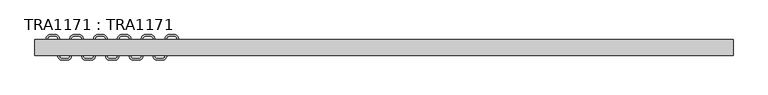
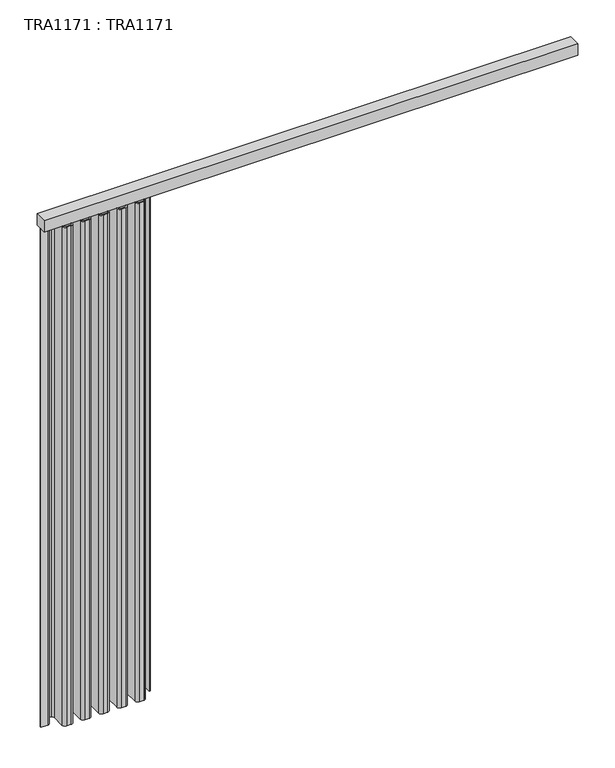
"""IFC4 building model written with IfcOpenShell, lengths in millimetres: proxy geometry, TRA1171 : TRA1171."""

from ifc_helpers import new_model, si_unit, point, frame, frame_2d, origin, place, context, project, spatial, polyline, circle_curve, trimmed, segment, composite_curve, outline, extrude, source, transform, mapped, element, save


def tra1171_tra1171_62248d08(model_context):
    return source(origin(), model_context, "Body", "SweptSolid", [
        extrude(outline(polyline([(2200.0, -22.5316766), (0.0, -22.5316766), (0.0, 27.4683234), (2200.0, 27.4683234), (2200.0, -22.5316766)])), frame((0.0, 0.0, -50.0), z_axis=(0.0, 0.0, 1.0), x_axis=(1.0, 0.0, 0.0)), (0.0, 0.0, 1.0), 50.0),
        extrude(outline(composite_curve([segment(polyline([(-0.0282048, 4.9869476), (27.4717952, 4.9869476)]), True, "CONTINUOUS"), segment(trimmed(circle_curve(frame_2d((27.4717952, 12.5151524)), 7.5282048), [point((27.4717952, 4.9869476))], [point((35.0, 12.5151524))], True, "CARTESIAN"), True, "CONTINUOUS"), segment(polyline([(35.0, 12.5151524), (35.0, 30.0215873)]), True, "CONTINUOUS"), segment(trimmed(circle_curve(frame_2d((47.4717952, 30.0215873)), 12.4717952), [point((35.0, 30.0215873))], [point((47.4717952, 42.4933825))], False, "CARTESIAN"), True, "CONTINUOUS"), segment(polyline([(47.4717952, 42.4933825), (64.9717952, 42.4933825)]), True, "CONTINUOUS"), segment(trimmed(circle_curve(frame_2d((64.9717952, 30.0053071)), 12.4880754), [point((64.9717952, 42.4933825))], [point((77.4598707, 30.0053071))], False, "CARTESIAN"), True, "CONTINUOUS"), segment(polyline([(77.4598707, 30.0053071), (77.4598707, -24.9813757)]), True, "CONTINUOUS"), segment(trimmed(circle_curve(frame_2d((84.995901, -24.9813757)), 7.5360303), [point((77.4598707, -24.9813757))], [point((84.995901, -32.5174061))], True, "CARTESIAN"), True, "CONTINUOUS"), segment(polyline([(84.995901, -32.5174061), (102.4717952, -32.5174061)]), True, "CONTINUOUS"), segment(trimmed(circle_curve(frame_2d((102.4717952, -24.9920039)), 7.5254022), [point((102.4717952, -32.5174061))], [point((109.9971975, -24.9920039))], True, "CARTESIAN"), True, "CONTINUOUS"), segment(polyline([(109.9971975, -24.9920039), (109.9971975, 30.0187848)]), True, "CONTINUOUS"), segment(trimmed(circle_curve(frame_2d((122.4717952, 30.0187848)), 12.4745978), [point((109.9971975, 30.0187848))], [point((122.4717952, 42.4933825))], False, "CARTESIAN"), True, "CONTINUOUS"), segment(polyline([(122.4717952, 42.4933825), (139.9717952, 42.4933825)]), True, "CONTINUOUS"), segment(trimmed(circle_curve(frame_2d((139.9717952, 30.012852)), 12.4805305), [point((139.9717952, 42.4933825))], [point((152.4523257, 30.012852))], False, "CARTESIAN"), True, "CONTINUOUS"), segment(polyline([(152.4523257, 30.012852), (152.4523257, -24.9979366)]), True, "CONTINUOUS"), segment(trimmed(circle_curve(frame_2d((159.9717952, -24.9979366)), 7.5194695), [point((152.4523257, -24.9979366))], [point((159.9717952, -32.5174061))], True, "CARTESIAN"), True, "CONTINUOUS"), segment(polyline([(159.9717952, -32.5174061), (177.4050559, -32.5174061)]), True, "CONTINUOUS"), segment(trimmed(circle_curve(frame_2d((177.4050559, -24.9813757)), 7.5360303), [point((177.4050559, -32.5174061))], [point((184.9410862, -24.9813757))], True, "CARTESIAN"), True, "CONTINUOUS"), segment(polyline([(184.9410862, -24.9813757), (184.9410862, 29.9626735)]), True, "CONTINUOUS"), segment(trimmed(circle_curve(frame_2d((197.4717952, 29.9626735)), 12.530709), [point((184.9410862, 29.9626735))], [point((197.4717952, 42.4933825))], False, "CARTESIAN"), True, "CONTINUOUS"), segment(polyline([(197.4717952, 42.4933825), (214.9717952, 42.4933825)]), True, "CONTINUOUS"), segment(trimmed(circle_curve(frame_2d((214.9717952, 29.9808919)), 12.5124907), [point((214.9717952, 42.4933825))], [point((227.4842859, 29.9808919))], False, "CARTESIAN"), True, "CONTINUOUS"), segment(polyline([(227.4842859, 29.9808919), (227.4842859, -24.9813757)]), True, "CONTINUOUS"), segment(trimmed(circle_curve(frame_2d((235.0203163, -24.9813757)), 7.5360303), [point((227.4842859, -24.9813757))], [point((235.0203163, -32.5174061))], True, "CARTESIAN"), True, "CONTINUOUS"), segment(polyline([(235.0203163, -32.5174061), (252.4177995, -32.5174061)]), True, "CONTINUOUS"), segment(trimmed(circle_curve(frame_2d((252.4177995, -24.9813757)), 7.5360303), [point((252.4177995, -32.5174061))], [point((259.9538298, -24.9813757))], True, "CARTESIAN"), True, "CONTINUOUS"), segment(polyline([(259.9538298, -24.9813757), (259.9538298, 29.9754171)]), True, "CONTINUOUS"), segment(trimmed(circle_curve(frame_2d((272.4717952, 29.9754171)), 12.5179654), [point((259.9538298, 29.9754171))], [point((272.4717952, 42.4933825))], False, "CARTESIAN"), True, "CONTINUOUS"), segment(polyline([(272.4717952, 42.4933825), (289.9717952, 42.4933825)]), True, "CONTINUOUS"), segment(trimmed(circle_curve(frame_2d((289.9717952, 29.9761691)), 12.5172135), [point((289.9717952, 42.4933825))], [point((302.4890087, 29.9761691))], False, "CARTESIAN"), True, "CONTINUOUS"), segment(polyline([(302.4890087, 29.9761691), (302.4890087, -25.0346196)]), True, "CONTINUOUS"), segment(trimmed(circle_curve(frame_2d((309.9717952, -25.0346196)), 7.4827865), [point((302.4890087, -25.0346196))], [point((309.9717952, -32.5174061))], True, "CARTESIAN"), True, "CONTINUOUS"), segment(polyline([(309.9717952, -32.5174061), (327.4805498, -32.5174061)]), True, "CONTINUOUS"), segment(trimmed(circle_curve(frame_2d((327.4805498, -24.9813757)), 7.5360303), [point((327.4805498, -32.5174061))], [point((335.0165802, -24.9813757))], True, "CARTESIAN"), True, "CONTINUOUS"), segment(polyline([(335.0165802, -24.9813757), (335.0165802, 30.0381675)]), True, "CONTINUOUS"), segment(trimmed(circle_curve(frame_2d((347.4717952, 30.0381675)), 12.4552151), [point((335.0165802, 30.0381675))], [point((347.4717952, 42.4933825))], False, "CARTESIAN"), True, "CONTINUOUS"), segment(polyline([(347.4717952, 42.4933825), (364.9717952, 42.4933825)]), True, "CONTINUOUS"), segment(trimmed(circle_curve(frame_2d((364.9717952, 29.9821103)), 12.5112723), [point((364.9717952, 42.4933825))], [point((377.4830675, 29.9821103))], False, "CARTESIAN"), True, "CONTINUOUS"), segment(polyline([(377.4830675, 29.9821103), (377.4830675, -24.9813757)]), True, "CONTINUOUS"), segment(trimmed(circle_curve(frame_2d((385.0190979, -24.9813757)), 7.5360303), [point((377.4830675, -24.9813757))], [point((385.0190979, -32.5174061))], True, "CARTESIAN"), True, "CONTINUOUS"), segment(polyline([(385.0190979, -32.5174061), (402.4440465, -32.5174061)]), True, "CONTINUOUS"), segment(trimmed(circle_curve(frame_2d((402.4440465, -24.9813757)), 7.5360303), [point((402.4440465, -32.5174061))], [point((409.9800768, -24.9813757))], True, "CARTESIAN"), True, "CONTINUOUS"), segment(polyline([(409.9800768, -24.9813757), (409.9800768, 30.0016641)]), True, "CONTINUOUS"), segment(trimmed(circle_curve(frame_2d((422.4717952, 30.0016641)), 12.4917184), [point((409.9800768, 30.0016641))], [point((422.4717952, 42.4933825))], False, "CARTESIAN"), True, "CONTINUOUS"), segment(polyline([(422.4717952, 42.4933825), (439.9717952, 42.4933825)]), True, "CONTINUOUS"), segment(trimmed(circle_curve(frame_2d((439.9717952, 30.0065877)), 12.4867948), [point((439.9717952, 42.4933825))], [point((452.4585901, 30.0065877))], False, "CARTESIAN"), True, "CONTINUOUS"), segment(polyline([(452.4585901, 30.0065877), (452.4585901, 2.5186243), (447.4585901, 2.5186243), (447.4585901, 30.0065877)]), True, "CONTINUOUS"), segment(trimmed(circle_curve(frame_2d((439.9717952, 30.0065877)), 7.4867948), [point((447.4585901, 30.0065877))], [point((439.9717952, 37.4933825))], True, "CARTESIAN"), True, "CONTINUOUS"), segment(polyline([(439.9717952, 37.4933825), (422.4548351, 37.4933825)]), True, "CONTINUOUS"), segment(trimmed(circle_curve(frame_2d((422.4548351, 30.0186243)), 7.4747583), [point((422.4548351, 37.4933825))], [point((414.9800768, 30.0186243))], True, "CARTESIAN"), True, "CONTINUOUS"), segment(polyline([(414.9800768, 30.0186243), (414.9800768, -24.9813757)]), True, "CONTINUOUS"), segment(trimmed(circle_curve(frame_2d((402.4440465, -24.9813757)), 12.5360303), [point((414.9800768, -24.9813757))], [point((402.4440465, -37.5174061))], False, "CARTESIAN"), True, "CONTINUOUS"), segment(polyline([(402.4440465, -37.5174061), (385.0190979, -37.5174061)]), True, "CONTINUOUS"), segment(trimmed(circle_curve(frame_2d((385.0190979, -24.9813757)), 12.5360303), [point((385.0190979, -37.5174061))], [point((372.4830675, -24.9813757))], False, "CARTESIAN"), True, "CONTINUOUS"), segment(polyline([(372.4830675, -24.9813757), (372.4830675, 29.9821103)]), True, "CONTINUOUS"), segment(trimmed(circle_curve(frame_2d((364.9717952, 29.9821103)), 7.5112723), [point((372.4830675, 29.9821103))], [point((364.9717952, 37.4933825))], True, "CARTESIAN"), True, "CONTINUOUS"), segment(polyline([(364.9717952, 37.4933825), (347.4717952, 37.4933825)]), True, "CONTINUOUS"), segment(trimmed(circle_curve(frame_2d((347.4717952, 30.0381675)), 7.4552151), [point((347.4717952, 37.4933825))], [point((340.0165802, 30.0381675))], True, "CARTESIAN"), True, "CONTINUOUS"), segment(polyline([(340.0165802, 30.0381675), (340.0165802, -24.9813757)]), True, "CONTINUOUS"), segment(trimmed(circle_curve(frame_2d((327.4805498, -24.9813757)), 12.5360303), [point((340.0165802, -24.9813757))], [point((327.4805498, -37.5174061))], False, "CARTESIAN"), True, "CONTINUOUS"), segment(polyline([(327.4805498, -37.5174061), (310.0250391, -37.5174061)]), True, "CONTINUOUS"), segment(trimmed(circle_curve(frame_2d((310.0250391, -24.9813757)), 12.5360303), [point((310.0250391, -37.5174061))], [point((297.4890087, -24.9813757))], False, "CARTESIAN"), True, "CONTINUOUS"), segment(polyline([(297.4890087, -24.9813757), (297.4890087, 29.9761691)]), True, "CONTINUOUS"), segment(trimmed(circle_curve(frame_2d((289.9717952, 29.9761691)), 7.5172135), [point((297.4890087, 29.9761691))], [point((289.9717952, 37.4933825))], True, "CARTESIAN"), True, "CONTINUOUS"), segment(polyline([(289.9717952, 37.4933825), (272.4285881, 37.4933825)]), True, "CONTINUOUS"), segment(trimmed(circle_curve(frame_2d((272.4285881, 30.0186243)), 7.4747583), [point((272.4285881, 37.4933825))], [point((264.9538298, 30.0186243))], True, "CARTESIAN"), True, "CONTINUOUS"), segment(polyline([(264.9538298, 30.0186243), (264.9538298, -24.9813757)]), True, "CONTINUOUS"), segment(trimmed(circle_curve(frame_2d((252.4177995, -24.9813757)), 12.5360303), [point((264.9538298, -24.9813757))], [point((252.4177995, -37.5174061))], False, "CARTESIAN"), True, "CONTINUOUS"), segment(polyline([(252.4177995, -37.5174061), (235.0203163, -37.5174061)]), True, "CONTINUOUS"), segment(trimmed(circle_curve(frame_2d((235.0203163, -24.9813757)), 12.5360303), [point((235.0203163, -37.5174061))], [point((222.4842859, -24.9813757))], False, "CARTESIAN"), True, "CONTINUOUS"), segment(polyline([(222.4842859, -24.9813757), (222.4842859, 29.9808919)]), True, "CONTINUOUS"), segment(trimmed(circle_curve(frame_2d((214.9717952, 29.9808919)), 7.5124907), [point((222.4842859, 29.9808919))], [point((214.9717952, 37.4933825))], True, "CARTESIAN"), True, "CONTINUOUS"), segment(polyline([(214.9717952, 37.4933825), (197.4717952, 37.4933825)]), True, "CONTINUOUS"), segment(trimmed(circle_curve(frame_2d((197.4717952, 29.9626735)), 7.530709), [point((197.4717952, 37.4933825))], [point((189.9410862, 29.9626735))], True, "CARTESIAN"), True, "CONTINUOUS"), segment(polyline([(189.9410862, 29.9626735), (189.9410862, -24.9813757)]), True, "CONTINUOUS"), segment(trimmed(circle_curve(frame_2d((177.4050559, -24.9813757)), 12.5360303), [point((189.9410862, -24.9813757))], [point((177.4050559, -37.5174061))], False, "CARTESIAN"), True, "CONTINUOUS"), segment(polyline([(177.4050559, -37.5174061), (159.9883561, -37.5174061)]), True, "CONTINUOUS"), segment(trimmed(circle_curve(frame_2d((159.9883561, -24.9813757)), 12.5360303), [point((159.9883561, -37.5174061))], [point((147.4523257, -24.9813757))], False, "CARTESIAN"), True, "CONTINUOUS"), segment(polyline([(147.4523257, -24.9813757), (147.4523257, 30.012852)]), True, "CONTINUOUS"), segment(trimmed(circle_curve(frame_2d((139.9717952, 30.012852)), 7.4805305), [point((147.4523257, 30.012852))], [point((139.9717952, 37.4933825))], True, "CARTESIAN"), True, "CONTINUOUS"), segment(polyline([(139.9717952, 37.4933825), (122.4717952, 37.4933825)]), True, "CONTINUOUS"), segment(trimmed(circle_curve(frame_2d((122.4717952, 30.0187848)), 7.4745978), [point((122.4717952, 37.4933825))], [point((114.9971975, 30.0187848))], True, "CARTESIAN"), True, "CONTINUOUS"), segment(polyline([(114.9971975, 30.0187848), (114.9971975, -24.9813757)]), True, "CONTINUOUS"), segment(trimmed(circle_curve(frame_2d((102.4611671, -24.9813757)), 12.5360303), [point((114.9971975, -24.9813757))], [point((102.4611671, -37.5174061))], False, "CARTESIAN"), True, "CONTINUOUS"), segment(polyline([(102.4611671, -37.5174061), (84.995901, -37.5174061)]), True, "CONTINUOUS"), segment(trimmed(circle_curve(frame_2d((84.995901, -24.9813757)), 12.5360303), [point((84.995901, -37.5174061))], [point((72.4598707, -24.9813757))], False, "CARTESIAN"), True, "CONTINUOUS"), segment(polyline([(72.4598707, -24.9813757), (72.4598707, 30.0053071)]), True, "CONTINUOUS"), segment(trimmed(circle_curve(frame_2d((64.9717952, 30.0053071)), 7.4880754), [point((72.4598707, 30.0053071))], [point((64.9717952, 37.4933825))], True, "CARTESIAN"), True, "CONTINUOUS"), segment(polyline([(64.9717952, 37.4933825), (47.4747583, 37.4933825)]), True, "CONTINUOUS"), segment(trimmed(circle_curve(frame_2d((47.4747583, 30.0186243)), 7.4747583), [point((47.4747583, 37.4933825))], [point((40.0, 30.0186243))], True, "CARTESIAN"), True, "CONTINUOUS"), segment(polyline([(40.0, 30.0186243), (40.0, 12.5186243)]), True, "CONTINUOUS"), segment(trimmed(circle_curve(frame_2d((27.5026807, 12.5186243)), 12.4973193), [point((40.0, 12.5186243))], [point((27.5026807, 0.021305))], False, "CARTESIAN"), True, "CONTINUOUS"), segment(polyline([(27.5026807, 0.021305), (-0.0282048, 0.021305), (-0.0282048, 2.5186243), (-0.0282048, 4.9869476)]), True, "CONTINUOUS")], self_intersect=False)), frame((0.0, 0.0, -2225.0), z_axis=(0.0, 0.0, 1.0), x_axis=(1.0, 0.0, 0.0)), (0.0, 0.0, 1.0), 2175.0),
    ])


if __name__ == "__main__":
    model = new_model("IFC4")
    model_context = context("Model", 3, world=origin())
    ifc_project = project(units=[si_unit("LENGTHUNIT", "METRE", prefix="MILLI")], contexts=[model_context])
    site = spatial("IfcSite", under=ifc_project)
    building = spatial("IfcBuilding", under=site)
    placement = place(None, origin())
    tra1171_tra1171_shape = tra1171_tra1171_62248d08(model_context)
    element("IfcBuildingElementProxy", 1, Name="TRA1171 : TRA1171", ObjectType="TRA1171 : TRA1171", at=placement, inside=building, context=model_context, shape_type="MappedRepresentation", body=[
        mapped(tra1171_tra1171_shape, transform((0.0, 0.0, 0.0), x_axis=(1.0, 0.0, 0.0), y_axis=(0.0, 1.0, 0.0), z_axis=(0.0, 0.0, 1.0))),
    ])
    save(model, "model.ifc")
